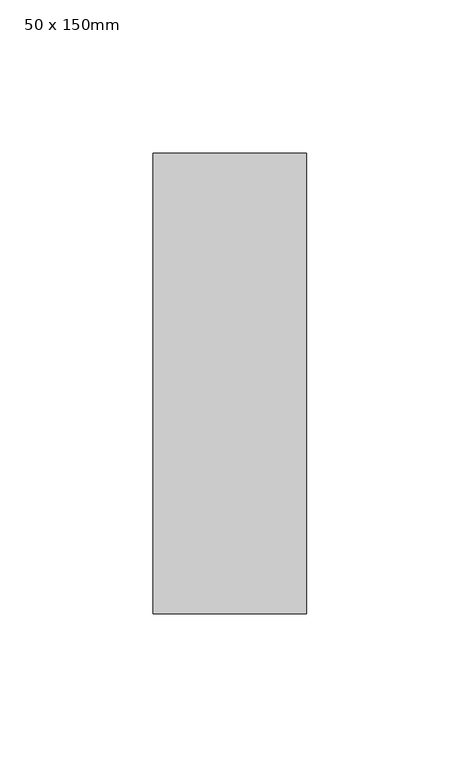
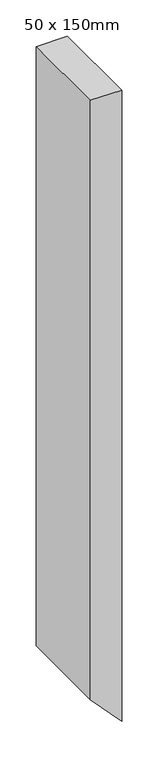
"""IFC4 building model written with IfcOpenShell, lengths in millimetres: member geometry, 50 x 150mm."""

from ifc_helpers import new_model, si_unit, frame, origin, place, context, project, spatial, polyline, outline, extrude, source, transform, mapped, element, save


def member_50_x_150mm_d519bab1(model_context):
    return source(origin(), model_context, "Body", "SweptSolid", [
        extrude(outline(polyline([(0.0, 0.0), (0.0, -50.0), (-1011.9450078, -50.0), (-1065.9881844, 0.0), (0.0, 0.0)])), frame((0.0, -75.0, 0.0), z_axis=(0.0, 1.0, 0.0), x_axis=(0.0, 0.0, 1.0)), (0.0, 0.0, 1.0), 150.0),
    ])


if __name__ == "__main__":
    model = new_model("IFC4")
    model_context = context("Model", 3, world=origin())
    ifc_project = project(units=[si_unit("LENGTHUNIT", "METRE", prefix="MILLI")], contexts=[model_context])
    site = spatial("IfcSite", under=ifc_project)
    building = spatial("IfcBuilding", under=site)
    placement = place(None, origin())
    member_50_x_150mm_shape = member_50_x_150mm_d519bab1(model_context)
    element("IfcMember", 1, ObjectType="50 x 150mm", at=placement, inside=building, context=model_context, shape_type="MappedRepresentation", body=[
        mapped(member_50_x_150mm_shape, transform((0.0, 0.0, 0.0), x_axis=(1.0, 0.0, 0.0), y_axis=(0.0, 1.0, 0.0), z_axis=(0.0, 0.0, 1.0))),
    ])
    save(model, "model.ifc")
